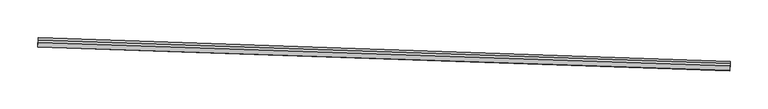
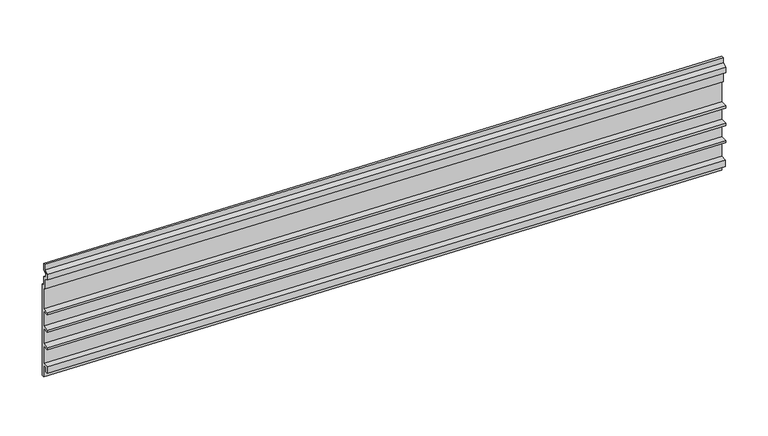
"""IFC4 building model written with IfcOpenShell, lengths in millimetres: proxy geometry."""

from ifc_helpers import new_model, si_unit, frame, origin, place, context, project, spatial, polyline, outline, extrude, source, transform, mapped, element, save


def generic_models_0aa7b767(model_context):
    return source(origin(), model_context, "Body", "SweptSolid", [
        extrude(outline(polyline([(-3.1749999, 0.0), (0.0, 0.0), (0.0, 12.7), (5.4236225, 15.2290767), (5.4236225, 19.6959233), (0.0, 22.225), (0.0, 31.75), (3.175, 31.75), (3.175, 24.247698), (9.2139907, 21.4316705), (9.2139907, 13.4933295), (3.175, 10.6773019), (3.175, -3.175), (0.0, -3.175), (0.0, -34.13125), (9.525, -34.13125), (9.525, -37.30625), (0.0, -37.30625), (0.0, -59.53125), (9.525, -59.53125), (9.525, -62.70625), (0.0, -62.70625), (0.0, -84.93125), (9.525, -84.93125), (9.525, -88.10625), (0.0, -88.10625), (0.0, -113.50625), (8.8104385, -113.50625), (8.8104385, -123.03125), (4.9129906, -123.03125), (4.9129906, -116.68125), (0.0, -116.68125), (0.0, -133.35), (-3.1749999, -133.35), (-3.1749999, 0.0)])), frame((34376.7362962, -14832.2247215, 3098.8069019), z_axis=(-0.9994149479166007, 0.03420178183747702, 0.0), x_axis=(-0.03420178183747702, -0.9994149479166007, 0.0)), (0.0, 0.0, 1.0), 914.4),
    ])


if __name__ == "__main__":
    model = new_model("IFC4")
    model_context = context("Model", 3, world=origin())
    ifc_project = project(units=[si_unit("LENGTHUNIT", "METRE", prefix="MILLI")], contexts=[model_context])
    site = spatial("IfcSite", under=ifc_project)
    building = spatial("IfcBuilding", under=site)
    placement = place(None, origin())
    generic_models_shape = generic_models_0aa7b767(model_context)
    element("IfcBuildingElementProxy", 1, Name="Generic Models", at=placement, inside=building, context=model_context, shape_type="MappedRepresentation", body=[
        mapped(generic_models_shape, transform((0.0, 0.0, 0.0), x_axis=(1.0, 0.0, 0.0), y_axis=(0.0, 1.0, 0.0), z_axis=(0.0, 0.0, 1.0))),
    ])
    save(model, "model.ifc")
